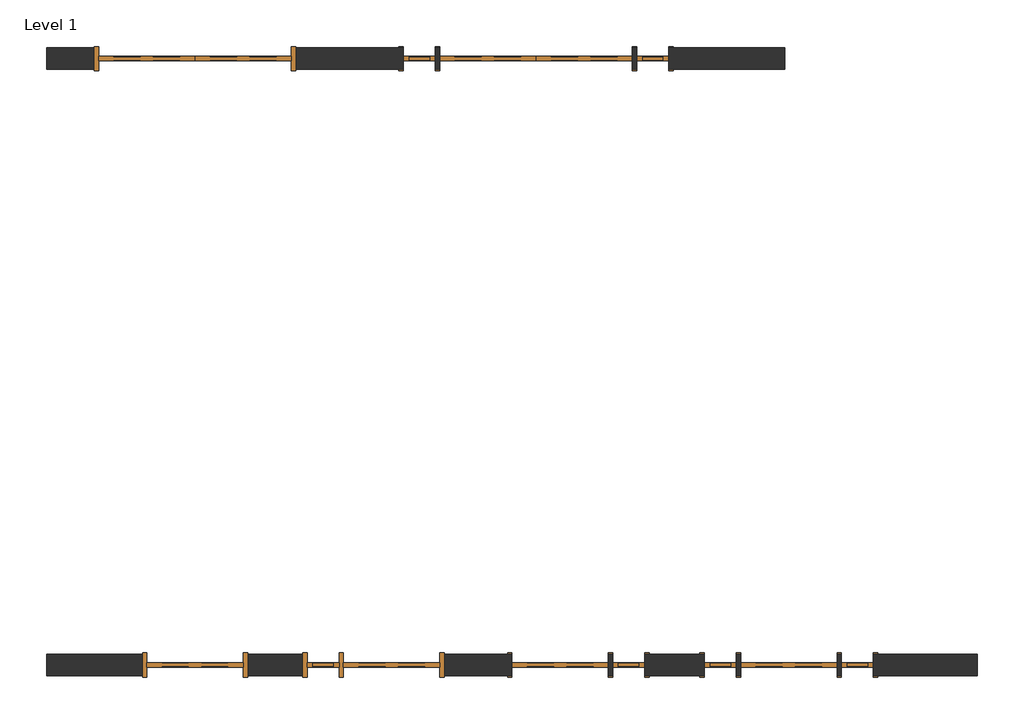
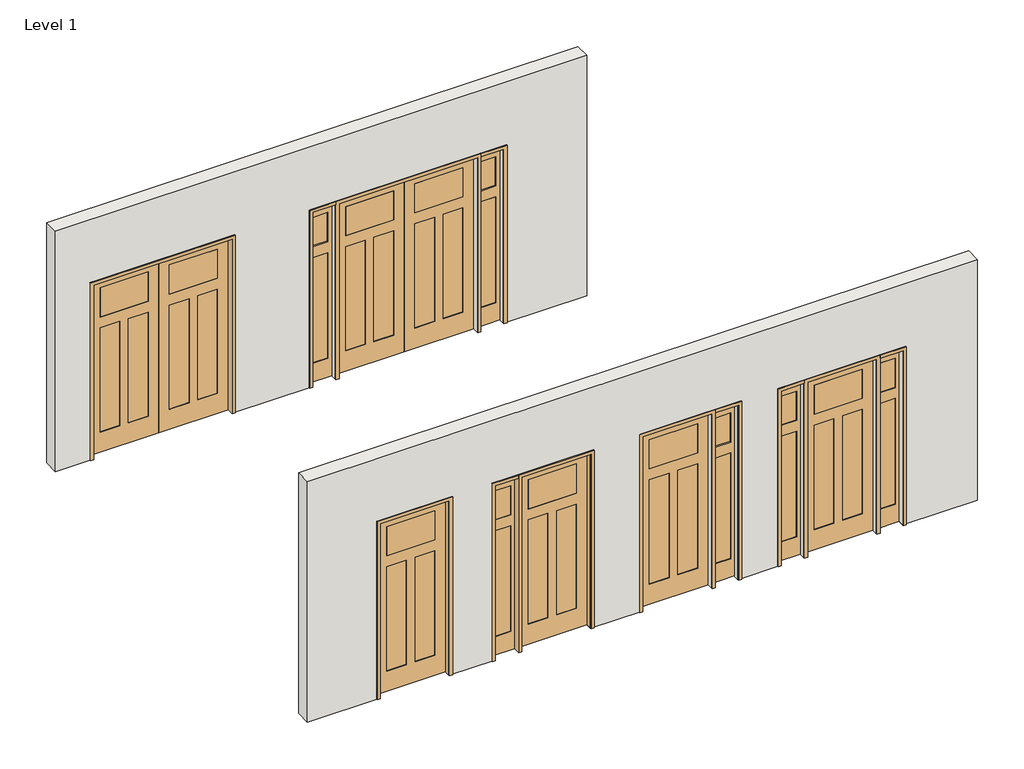
# One storey: 6 doors, 2 walls.
"""IFC4 building model written with IfcOpenShell, lengths in millimetres."""

import ifcopenshell
import ifcopenshell.guid

model = None  # the IFC model being written
_history = None  # IfcOwnerHistory: only IFC2X3 demands one
_inside = {}  # id of a spatial element -> (the spatial element, [elements in it])
_under = {}  # id of a project, library or spatial element -> (it, [spatial elements below it])
_declared = {}  # id of a project -> (the project, [libraries it declares])
_typed = {}  # id of a type object -> (the type object, [elements of that type])
_made_of = {}  # id of a material, layer set ... -> (it, [elements and type objects made of it])


def new_model(schema):
    """Start an empty IFC model of exactly this schema.

    Asked for "IFC4X3", IfcOpenShell would pick the latest addendum, in which some entities
    have other attributes; the version numbers below select the first issue.
    IFC2X3 requires an IfcOwnerHistory on every rooted entity: one is made here for all.
    """
    global model, _history
    if schema == "IFC4X3":
        model = ifcopenshell.file(schema_version=(4, 3, 0, 0))
    else:
        model = ifcopenshell.file(schema=schema)
    _inside.clear()
    _under.clear()
    _declared.clear()
    _typed.clear()
    _made_of.clear()
    _history = None
    if model.schema == "IFC2X3":
        org = make("IfcOrganization", Name="unknown")
        user = make(
            "IfcPersonAndOrganization",
            ThePerson=make("IfcPerson", FamilyName="unknown"),
            TheOrganization=org,
        )
        app = make(
            "IfcApplication",
            ApplicationDeveloper=org,
            Version="unknown",
            ApplicationFullName="unknown",
            ApplicationIdentifier="unknown",
        )
        _history = make(
            "IfcOwnerHistory",
            OwningUser=user,
            OwningApplication=app,
            ChangeAction="ADDED",
            CreationDate=0,
        )
    return model


def make(cls, **values):
    """One entity of the class cls with the attributes given. An attribute that is None is left unset."""
    return model.create_entity(
        cls, **{name: value for name, value in values.items() if value is not None}
    )


def rooted(cls, **values):
    """An entity with a GlobalId (a new one), such as an element, a storey or a relation."""
    return make(cls, GlobalId=ifcopenshell.guid.new(), OwnerHistory=_history, **values)


def si_unit(unit_type, name, prefix=None):
    """IfcSIUnit, for example si_unit("LENGTHUNIT", "METRE", prefix="MILLI")."""
    return make("IfcSIUnit", UnitType=unit_type, Prefix=prefix, Name=name)


def assignment(units):
    """IfcUnitAssignment: the units of a project."""
    return None if units is None else make("IfcUnitAssignment", Units=units)


def point(xyz):
    """IfcCartesianPoint."""
    return None if xyz is None else make("IfcCartesianPoint", Coordinates=xyz)


def direction(xyz):
    """IfcDirection."""
    return None if xyz is None else make("IfcDirection", DirectionRatios=xyz)


def frame(location, z_axis=None, x_axis=None):
    """IfcAxis2Placement3D, a coordinate frame: its origin and axes. An axis left out is left unset."""
    return make(
        "IfcAxis2Placement3D",
        Location=point(location),
        Axis=direction(z_axis),
        RefDirection=direction(x_axis),
    )


def origin():
    """The frame at (0, 0, 0) with its axes left unset."""
    return frame((0.0, 0.0, 0.0))


def place(relative_to, where):
    """IfcLocalPlacement: puts the frame where relative to a parent placement (None: the world)."""
    return make(
        "IfcLocalPlacement", PlacementRelTo=relative_to, RelativePlacement=where
    )


def context(
    kind, dimensions, precision=None, world=None, true_north=None, identifier=None
):
    """IfcGeometricRepresentationContext, for example the 3D "Model" context."""
    return make(
        "IfcGeometricRepresentationContext",
        ContextIdentifier=identifier,
        ContextType=kind,
        CoordinateSpaceDimension=dimensions,
        Precision=precision,
        WorldCoordinateSystem=world,
        TrueNorth=true_north,
    )


def project(units=None, contexts=None):
    """IfcProject with its units and contexts."""
    return rooted(
        "IfcProject",
        Name="project",
        RepresentationContexts=contexts,
        UnitsInContext=assignment(units),
    )


def spatial(cls, under=None, at=None, **own):
    """A site, building, storey or space (cls), placed at a placement, below another one or the project."""
    s = rooted(cls, ObjectPlacement=at, **own)
    if under is not None:
        _under.setdefault(under.id(), (under, []))[1].append(s)
    return s


def polyline(points):
    """IfcPolyline through the points."""
    return make("IfcPolyline", Points=[point(p) for p in points])


def outline(outer, holes=None, kind="AREA"):
    """IfcArbitraryClosedProfileDef: a profile drawn as a closed curve; with holes, ...WithVoids."""
    if holes is None:
        return make("IfcArbitraryClosedProfileDef", ProfileType=kind, OuterCurve=outer)
    return make(
        "IfcArbitraryProfileDefWithVoids",
        ProfileType=kind,
        OuterCurve=outer,
        InnerCurves=holes,
    )


def extrude(swept, where, along, depth):
    """IfcExtrudedAreaSolid: the profile swept, set in the frame where, extruded along a direction by depth."""
    return make(
        "IfcExtrudedAreaSolid",
        SweptArea=swept,
        Position=where,
        ExtrudedDirection=direction(along),
        Depth=depth,
    )


def faces_of(points, faces, orient=None, outer=None):
    """IfcFace entities. A face is a list of loops; a loop is a list of indices into points, from 0.

    orient and outer hold one flag for each loop. By default every Orientation is true, the
    first loop of a face is its IfcFaceOuterBound and the others are IfcFaceBound.
    """
    made = []
    for i, loops in enumerate(faces):
        bounds = []
        for j, loop in enumerate(loops):
            is_outer = j == 0 if outer is None else outer[i][j]
            bounds.append(
                make(
                    "IfcFaceOuterBound" if is_outer else "IfcFaceBound",
                    Bound=make("IfcPolyLoop", Polygon=[points[k] for k in loop]),
                    Orientation=True if orient is None else orient[i][j],
                )
            )
        made.append(make("IfcFace", Bounds=bounds))
    return made


def faceted_brep(points, faces, orient=None, outer=None, voids=None):
    """IfcFacetedBrep: a solid bounded by flat faces; with voids (closed shells), ...WithVoids."""
    shared = [point(p) for p in points]
    hull = make("IfcClosedShell", CfsFaces=faces_of(shared, faces, orient, outer))
    if voids is None:
        return make("IfcFacetedBrep", Outer=hull)
    return make(
        "IfcFacetedBrepWithVoids",
        Outer=hull,
        Voids=[
            make(cls, CfsFaces=faces_of(shared, fs, o, b)) for cls, fs, o, b in voids
        ],
    )


def shape(context_of_items, identifier, shape_type, items):
    """IfcShapeRepresentation: the items that make up one representation, for example the "Body"."""
    return make(
        "IfcShapeRepresentation",
        ContextOfItems=context_of_items,
        RepresentationIdentifier=identifier,
        RepresentationType=shape_type,
        Items=items,
    )


def source(mapping_origin, context_of_items, identifier, shape_type, items):
    """IfcRepresentationMap: a shape defined once, which mapped items show again and again."""
    return make(
        "IfcRepresentationMap",
        MappingOrigin=mapping_origin,
        MappedRepresentation=shape(context_of_items, identifier, shape_type, items),
    )


def transform(
    local_origin,
    x_axis=None,
    y_axis=None,
    z_axis=None,
    scale=None,
    scale2=None,
    scale3=None,
    uniform=True,
):
    """IfcCartesianTransformationOperator3D, or its non-uniform kind. x_axis, y_axis, z_axis: its Axis1, 2, 3."""
    if uniform:
        return make(
            "IfcCartesianTransformationOperator3D",
            Axis1=direction(x_axis),
            Axis2=direction(y_axis),
            LocalOrigin=point(local_origin),
            Scale=scale,
            Axis3=direction(z_axis),
        )
    return make(
        "IfcCartesianTransformationOperator3DnonUniform",
        Axis1=direction(x_axis),
        Axis2=direction(y_axis),
        LocalOrigin=point(local_origin),
        Scale=scale,
        Axis3=direction(z_axis),
        Scale2=scale2,
        Scale3=scale3,
    )


def mapped(mapping_source, mapping_target):
    """IfcMappedItem: shows the shape of a source again, moved by a transform."""
    return make(
        "IfcMappedItem", MappingSource=mapping_source, MappingTarget=mapping_target
    )


def made_of(thing, what):
    """Note that an element or type object is made of a material, layer set ...; save() writes the relation."""
    if what is not None:
        _made_of.setdefault(what.id(), (what, []))[1].append(thing)
    return thing


def element(
    cls,
    number,
    at=None,
    inside=None,
    cuts=None,
    type_object=None,
    material=None,
    context=None,
    identifier="Body",
    shape_type=None,
    held_by="IfcProductDefinitionShape",
    body=None,
    shapes=None,
    **own,
):
    """One element of the class cls, such as IfcWall. Its Tag is "e" and its number.

    at: its placement. inside: the storey or other place that contains it. cuts: it is an
    opening in that element (IfcRelVoidsElement). A single representation is given by context,
    identifier, shape_type and body (its items); several are given by shapes. held_by: the class
    of the entity that holds the representations. save() writes the other relations.
    """
    e = rooted(cls, Tag="e%d" % number, ObjectPlacement=at, **own)
    if body is not None:
        shapes = [shape(context, identifier, shape_type, body)]
    if shapes is not None:
        e.Representation = make(held_by, Representations=shapes)
    if inside is not None:
        _inside.setdefault(inside.id(), (inside, []))[1].append(e)
    if cuts is not None:
        rooted(
            "IfcRelVoidsElement", RelatingBuildingElement=cuts, RelatedOpeningElement=e
        )
    if type_object is not None:
        _typed.setdefault(type_object.id(), (type_object, []))[1].append(e)
    return made_of(e, material)


def aggregate(whole, parts):
    """IfcRelAggregates: a whole, such as a stair, and the parts it consists of."""
    return rooted("IfcRelAggregates", RelatingObject=whole, RelatedObjects=parts)


def save(model, path):
    """Write the relations noted so far, then the file.

    IfcRelAggregates (storeys below a building ...), IfcRelContainedInSpatialStructure (elements
    in a storey), IfcRelDefinesByType, IfcRelAssociatesMaterial and IfcRelDeclares: one each for
    every whole, place, type object, material and project.
    """
    for whole, parts in _under.values():
        aggregate(whole, parts)
    for where, things in _inside.values():
        rooted(
            "IfcRelContainedInSpatialStructure",
            RelatedElements=things,
            RelatingStructure=where,
        )
    for kind, things in _typed.values():
        rooted("IfcRelDefinesByType", RelatedObjects=things, RelatingType=kind)
    for what, things in _made_of.values():
        rooted("IfcRelAssociatesMaterial", RelatedObjects=things, RelatingMaterial=what)
    for by, libraries in _declared.values():
        rooted("IfcRelDeclares", RelatingContext=by, RelatedDefinitions=libraries)
    model.write(path)


def door_715b732a(model_context):
    return source(origin(), model_context, "Body", "SolidModel", [
        faceted_brep([(457.2, 20.6375, 0.0), (457.2, -20.6375, 0.0), (-457.2, -20.6375, 0.0), (-457.2, 20.6375, 0.0), (457.2, 20.6375, 2438.4), (457.2, -20.6375, 2438.4), (-457.2, -20.6375, 2438.4), (-317.5, -20.6375, 2292.35), (317.5, -20.6375, 2292.35), (317.5, -20.6375, 1885.95), (-317.5, -20.6375, 1885.95), (-317.5, -20.6375, 1733.55), (-57.15, -20.6375, 1733.55), (-57.15, -20.6375, 279.4), (-317.5, -20.6375, 279.4), (57.15, -20.6375, 1733.55), (317.5, -20.6375, 1733.55), (317.5, -20.6375, 279.4), (57.15, -20.6375, 279.4), (-457.2, 20.6375, 2438.4), (-57.15, 20.6375, 1733.55), (-317.5, 20.6375, 1733.55), (-317.5, 20.6375, 279.4), (-57.15, 20.6375, 279.4), (317.5, 20.6375, 1733.55), (57.15, 20.6375, 1733.55), (57.15, 20.6375, 279.4), (317.5, 20.6375, 279.4), (317.5, 20.6375, 2292.35), (-317.5, 20.6375, 2292.35), (-317.5, 20.6375, 1885.95), (317.5, 20.6375, 1885.95), (-317.5, 14.2875, 1733.55), (-317.5, 14.2875, 279.4), (-57.15, 14.2875, 279.4), (-57.15, 14.2875, 1733.55), (57.15, 14.2875, 1733.55), (57.15, 14.2875, 279.4), (317.5, 14.2875, 279.4), (317.5, 14.2875, 1733.55), (-57.15, -14.2875, 1733.55), (-57.15, -14.2875, 279.4), (-317.5, -14.2875, 279.4), (-317.5, -14.2875, 1733.55), (317.5, -14.2875, 1733.55), (317.5, -14.2875, 279.4), (57.15, -14.2875, 279.4), (57.15, -14.2875, 1733.55)], [[[0, 1, 2, 3]], [[4, 5, 1, 0]], [[5, 6, 2, 1], [7, 8, 9, 10], [11, 12, 13, 14], [15, 16, 17, 18]], [[6, 19, 3, 2]], [[19, 4, 0, 3], [20, 21, 22, 23], [24, 25, 26, 27], [28, 29, 30, 31]], [[4, 19, 6, 5]], [[32, 33, 22, 21]], [[33, 34, 23, 22]], [[34, 35, 20, 23]], [[36, 37, 26, 25]], [[37, 38, 27, 26]], [[38, 39, 24, 27]], [[40, 41, 13, 12]], [[41, 42, 14, 13]], [[42, 43, 11, 14]], [[44, 45, 17, 16]], [[45, 46, 18, 17]], [[46, 47, 15, 18]], [[40, 43, 42, 41]], [[44, 47, 46, 45]], [[35, 34, 33, 32]], [[39, 38, 37, 36]], [[7, 29, 28, 8]], [[29, 7, 10, 30]], [[30, 10, 9, 31]], [[8, 28, 31, 9]], [[43, 40, 12, 11]], [[47, 44, 16, 15]], [[35, 32, 21, 20]], [[39, 36, 25, 24]]]),
        extrude(outline(polyline([(317.5, -20.6375), (-317.5, -20.6375), (-317.5, 20.6375), (317.5, 20.6375), (317.5, -20.6375)])), frame((0.0, 0.0, 1885.95), z_axis=(0.0, 0.0, 1.0), x_axis=(1.0, 0.0, 0.0)), (0.0, 0.0, 1.0), 406.4),
        extrude(outline(polyline([(2479.675, -498.475), (0.0, -498.475), (0.0, -457.2), (2438.4, -457.2), (2438.4, 457.2), (0.0, 457.2), (0.0, 498.475), (2479.675, 498.475), (2479.675, -498.475)])), frame((0.0, -114.3, 0.0), z_axis=(0.0, 1.0, 0.0), x_axis=(0.0, 0.0, 1.0)), (0.0, 0.0, 1.0), 228.6),
    ])


def door_c5cde168(model_context):
    return source(origin(), model_context, "Body", "SolidModel", [
        faceted_brep([(0.0, 20.6375, 0.0), (914.4, 20.6375, 0.0), (914.4, -20.6375, 0.0), (0.0, -20.6375, 0.0), (0.0, 20.6375, 2438.4), (0.0, -20.6375, 2438.4), (914.4, -20.6375, 2438.4), (774.7, -20.6375, 2292.35), (774.7, -20.6375, 1885.95), (139.7, -20.6375, 1885.95), (139.7, -20.6375, 2292.35), (774.7, -20.6375, 1733.55), (774.7, -20.6375, 279.4), (514.35, -20.6375, 279.4), (514.35, -20.6375, 1733.55), (400.05, -20.6375, 1733.55), (400.05, -20.6375, 279.4), (139.7, -20.6375, 279.4), (139.7, -20.6375, 1733.55), (914.4, 20.6375, 2438.4), (514.35, 20.6375, 1733.55), (514.35, 20.6375, 279.4), (774.7, 20.6375, 279.4), (774.7, 20.6375, 1733.55), (139.7, 20.6375, 1733.55), (139.7, 20.6375, 279.4), (400.05, 20.6375, 279.4), (400.05, 20.6375, 1733.55), (139.7, 20.6375, 2292.35), (139.7, 20.6375, 1885.95), (774.7, 20.6375, 1885.95), (774.7, 20.6375, 2292.35), (774.7, 14.2875, 1733.55), (774.7, 14.2875, 279.4), (514.35, 14.2875, 279.4), (514.35, 14.2875, 1733.55), (400.05, 14.2875, 1733.55), (400.05, 14.2875, 279.4), (139.7, 14.2875, 279.4), (139.7, 14.2875, 1733.55), (514.35, -14.2875, 1733.55), (514.35, -14.2875, 279.4), (774.7, -14.2875, 279.4), (774.7, -14.2875, 1733.55), (139.7, -14.2875, 1733.55), (139.7, -14.2875, 279.4), (400.05, -14.2875, 279.4), (400.05, -14.2875, 1733.55)], [[[0, 1, 2, 3]], [[4, 0, 3, 5]], [[5, 3, 2, 6], [7, 8, 9, 10], [11, 12, 13, 14], [15, 16, 17, 18]], [[6, 2, 1, 19]], [[19, 1, 0, 4], [20, 21, 22, 23], [24, 25, 26, 27], [28, 29, 30, 31]], [[4, 5, 6, 19]], [[32, 23, 22, 33]], [[33, 22, 21, 34]], [[34, 21, 20, 35]], [[36, 27, 26, 37]], [[37, 26, 25, 38]], [[38, 25, 24, 39]], [[40, 14, 13, 41]], [[41, 13, 12, 42]], [[42, 12, 11, 43]], [[44, 18, 17, 45]], [[45, 17, 16, 46]], [[46, 16, 15, 47]], [[40, 41, 42, 43]], [[44, 45, 46, 47]], [[35, 32, 33, 34]], [[39, 36, 37, 38]], [[7, 10, 28, 31]], [[31, 30, 8, 7]], [[30, 29, 9, 8]], [[10, 9, 29, 28]], [[43, 11, 14, 40]], [[47, 15, 18, 44]], [[35, 20, 23, 32]], [[39, 24, 27, 36]]]),
        extrude(outline(polyline([(139.7, -20.6375), (139.7, 20.6375), (774.7, 20.6375), (774.7, -20.6375), (139.7, -20.6375)])), frame((0.0, 0.0, 1885.95), z_axis=(0.0, 0.0, 1.0), x_axis=(1.0, 0.0, 0.0)), (0.0, 0.0, 1.0), 406.4),
        faceted_brep([(0.0, 20.6375, 0.0), (0.0, -20.6375, 0.0), (-914.4, -20.6375, 0.0), (-914.4, 20.6375, 0.0), (0.0, 20.6375, 2438.4), (0.0, -20.6375, 2438.4), (-914.4, -20.6375, 2438.4), (-774.7, -20.6375, 2292.35), (-139.7, -20.6375, 2292.35), (-139.7, -20.6375, 1885.95), (-774.7, -20.6375, 1885.95), (-774.7, -20.6375, 1733.55), (-514.35, -20.6375, 1733.55), (-514.35, -20.6375, 279.4), (-774.7, -20.6375, 279.4), (-400.05, -20.6375, 1733.55), (-139.7, -20.6375, 1733.55), (-139.7, -20.6375, 279.4), (-400.05, -20.6375, 279.4), (-914.4, 20.6375, 2438.4), (-514.35, 20.6375, 1733.55), (-774.7, 20.6375, 1733.55), (-774.7, 20.6375, 279.4), (-514.35, 20.6375, 279.4), (-139.7, 20.6375, 1733.55), (-400.05, 20.6375, 1733.55), (-400.05, 20.6375, 279.4), (-139.7, 20.6375, 279.4), (-139.7, 20.6375, 2292.35), (-774.7, 20.6375, 2292.35), (-774.7, 20.6375, 1885.95), (-139.7, 20.6375, 1885.95), (-774.7, 14.2875, 1733.55), (-774.7, 14.2875, 279.4), (-514.35, 14.2875, 279.4), (-514.35, 14.2875, 1733.55), (-400.05, 14.2875, 1733.55), (-400.05, 14.2875, 279.4), (-139.7, 14.2875, 279.4), (-139.7, 14.2875, 1733.55), (-514.35, -14.2875, 1733.55), (-514.35, -14.2875, 279.4), (-774.7, -14.2875, 279.4), (-774.7, -14.2875, 1733.55), (-139.7, -14.2875, 1733.55), (-139.7, -14.2875, 279.4), (-400.05, -14.2875, 279.4), (-400.05, -14.2875, 1733.55)], [[[0, 1, 2, 3]], [[4, 5, 1, 0]], [[5, 6, 2, 1], [7, 8, 9, 10], [11, 12, 13, 14], [15, 16, 17, 18]], [[6, 19, 3, 2]], [[19, 4, 0, 3], [20, 21, 22, 23], [24, 25, 26, 27], [28, 29, 30, 31]], [[4, 19, 6, 5]], [[32, 33, 22, 21]], [[33, 34, 23, 22]], [[34, 35, 20, 23]], [[36, 37, 26, 25]], [[37, 38, 27, 26]], [[38, 39, 24, 27]], [[40, 41, 13, 12]], [[41, 42, 14, 13]], [[42, 43, 11, 14]], [[44, 45, 17, 16]], [[45, 46, 18, 17]], [[46, 47, 15, 18]], [[40, 43, 42, 41]], [[44, 47, 46, 45]], [[35, 34, 33, 32]], [[39, 38, 37, 36]], [[7, 29, 28, 8]], [[29, 7, 10, 30]], [[30, 10, 9, 31]], [[8, 28, 31, 9]], [[43, 40, 12, 11]], [[47, 44, 16, 15]], [[35, 32, 21, 20]], [[39, 36, 25, 24]]]),
        extrude(outline(polyline([(-139.7, -20.6375), (-774.7, -20.6375), (-774.7, 20.6375), (-139.7, 20.6375), (-139.7, -20.6375)])), frame((0.0, 0.0, 1885.95), z_axis=(0.0, 0.0, 1.0), x_axis=(1.0, 0.0, 0.0)), (0.0, 0.0, 1.0), 406.4),
        extrude(outline(polyline([(2479.675, -955.675), (0.0, -955.675), (0.0, -914.4), (2438.4, -914.4), (2438.4, 914.4), (0.0, 914.4), (0.0, 955.675), (2479.675, 955.675), (2479.675, -955.675)])), frame((0.0, -114.3, 0.0), z_axis=(0.0, 1.0, 0.0), x_axis=(0.0, 0.0, 1.0)), (0.0, 0.0, 1.0), 228.6),
    ])


def door_36in_w_smooth_12in_both_sidelight_drs3f80_three_panel_e60aea02(model_context):
    return source(origin(), model_context, "Body", "SolidModel", [
        extrude(outline(polyline([(0.0, 803.275), (2438.4, 803.275), (2438.4, 498.475), (0.0, 498.475), (0.0, 803.275)]), holes=[polyline([(1885.95, 549.275), (2292.35, 549.275), (2292.35, 752.475), (1885.95, 752.475), (1885.95, 549.275)]), polyline([(260.35, 549.275), (1733.55, 549.275), (1733.55, 752.475), (260.35, 752.475), (260.35, 549.275)])]), frame((0.0, -20.6375, 0.0), z_axis=(0.0, 1.0, 0.0), x_axis=(0.0, 0.0, 1.0)), (0.0, 0.0, 1.0), 41.275),
        extrude(outline(polyline([(549.275, -14.2875), (549.275, 14.4145), (752.475, 14.4145), (752.475, -14.2875), (549.275, -14.2875)])), frame((0.0, 0.0, 1885.95), z_axis=(0.0, 0.0, 1.0), x_axis=(1.0, 0.0, 0.0)), (0.0, 0.0, 1.0), 406.4),
        extrude(outline(polyline([(549.275, -14.2875), (549.275, 14.4145), (752.475, 14.4145), (752.475, -14.2875), (549.275, -14.2875)])), frame((0.0, 0.0, 260.35), z_axis=(0.0, 0.0, 1.0), x_axis=(1.0, 0.0, 0.0)), (0.0, 0.0, 1.0), 1473.2),
        extrude(outline(polyline([(0.0, -803.275), (0.0, -498.475), (2438.4, -498.475), (2438.4, -803.275), (0.0, -803.275)]), holes=[polyline([(260.35, -549.275), (260.35, -752.475), (1733.55, -752.475), (1733.55, -549.275), (260.35, -549.275)]), polyline([(1885.95, -549.275), (1885.95, -752.475), (2292.35, -752.475), (2292.35, -549.275), (1885.95, -549.275)])]), frame((0.0, -20.6375, 0.0), z_axis=(0.0, 1.0, 0.0), x_axis=(0.0, 0.0, 1.0)), (0.0, 0.0, 1.0), 41.275),
        extrude(outline(polyline([(-549.275, -14.2875), (-752.475, -14.2875), (-752.475, 14.4145), (-549.275, 14.4145), (-549.275, -14.2875)])), frame((0.0, 0.0, 1885.95), z_axis=(0.0, 0.0, 1.0), x_axis=(1.0, 0.0, 0.0)), (0.0, 0.0, 1.0), 406.4),
        extrude(outline(polyline([(-549.275, -14.2875), (-752.475, -14.2875), (-752.475, 14.4145), (-549.275, 14.4145), (-549.275, -14.2875)])), frame((0.0, 0.0, 260.35), z_axis=(0.0, 0.0, 1.0), x_axis=(1.0, 0.0, 0.0)), (0.0, 0.0, 1.0), 1473.2),
        faceted_brep([(457.2, 20.6375, 0.0), (457.2, -20.6375, 0.0), (-457.2, -20.6375, 0.0), (-457.2, 20.6375, 0.0), (457.2, 20.6375, 2438.4), (457.2, -20.6375, 2438.4), (-457.2, -20.6375, 2438.4), (-317.5, -20.6375, 2292.35), (317.5, -20.6375, 2292.35), (317.5, -20.6375, 1885.95), (-317.5, -20.6375, 1885.95), (-317.5, -20.6375, 1733.55), (-57.15, -20.6375, 1733.55), (-57.15, -20.6375, 279.4), (-317.5, -20.6375, 279.4), (57.15, -20.6375, 1733.55), (317.5, -20.6375, 1733.55), (317.5, -20.6375, 279.4), (57.15, -20.6375, 279.4), (-457.2, 20.6375, 2438.4), (-57.15, 20.6375, 1733.55), (-317.5, 20.6375, 1733.55), (-317.5, 20.6375, 279.4), (-57.15, 20.6375, 279.4), (317.5, 20.6375, 1733.55), (57.15, 20.6375, 1733.55), (57.15, 20.6375, 279.4), (317.5, 20.6375, 279.4), (317.5, 20.6375, 2292.35), (-317.5, 20.6375, 2292.35), (-317.5, 20.6375, 1885.95), (317.5, 20.6375, 1885.95), (-317.5, 14.2875, 1733.55), (-317.5, 14.2875, 279.4), (-57.15, 14.2875, 279.4), (-57.15, 14.2875, 1733.55), (57.15, 14.2875, 1733.55), (57.15, 14.2875, 279.4), (317.5, 14.2875, 279.4), (317.5, 14.2875, 1733.55), (-57.15, -14.2875, 1733.55), (-57.15, -14.2875, 279.4), (-317.5, -14.2875, 279.4), (-317.5, -14.2875, 1733.55), (317.5, -14.2875, 1733.55), (317.5, -14.2875, 279.4), (57.15, -14.2875, 279.4), (57.15, -14.2875, 1733.55)], [[[0, 1, 2, 3]], [[4, 5, 1, 0]], [[5, 6, 2, 1], [7, 8, 9, 10], [11, 12, 13, 14], [15, 16, 17, 18]], [[6, 19, 3, 2]], [[19, 4, 0, 3], [20, 21, 22, 23], [24, 25, 26, 27], [28, 29, 30, 31]], [[4, 19, 6, 5]], [[32, 33, 22, 21]], [[33, 34, 23, 22]], [[34, 35, 20, 23]], [[36, 37, 26, 25]], [[37, 38, 27, 26]], [[38, 39, 24, 27]], [[40, 41, 13, 12]], [[41, 42, 14, 13]], [[42, 43, 11, 14]], [[44, 45, 17, 16]], [[45, 46, 18, 17]], [[46, 47, 15, 18]], [[40, 43, 42, 41]], [[44, 47, 46, 45]], [[35, 34, 33, 32]], [[39, 38, 37, 36]], [[7, 29, 28, 8]], [[29, 7, 10, 30]], [[30, 10, 9, 31]], [[8, 28, 31, 9]], [[43, 40, 12, 11]], [[47, 44, 16, 15]], [[35, 32, 21, 20]], [[39, 36, 25, 24]]]),
        extrude(outline(polyline([(317.5, -20.6375), (-317.5, -20.6375), (-317.5, 20.6375), (317.5, 20.6375), (317.5, -20.6375)])), frame((0.0, 0.0, 1885.95), z_axis=(0.0, 0.0, 1.0), x_axis=(1.0, 0.0, 0.0)), (0.0, 0.0, 1.0), 406.4),
        extrude(outline(polyline([(2438.4, -498.475), (2479.675, -498.475), (2479.675, -844.55), (0.0, -844.55), (0.0, -803.275), (2438.4, -803.275), (2438.4, -498.475)])), frame((0.0, -114.3, 0.0), z_axis=(0.0, 1.0, 0.0), x_axis=(0.0, 0.0, 1.0)), (0.0, 0.0, 1.0), 228.6),
        extrude(outline(polyline([(2479.675, -498.475), (0.0, -498.475), (0.0, -457.2), (2438.4, -457.2), (2438.4, 457.2), (0.0, 457.2), (0.0, 498.475), (2479.675, 498.475), (2479.675, -498.475)])), frame((0.0, -114.3, 0.0), z_axis=(0.0, 1.0, 0.0), x_axis=(0.0, 0.0, 1.0)), (0.0, 0.0, 1.0), 228.6),
        extrude(outline(polyline([(0.0, 803.275), (0.0, 844.55), (2479.675, 844.55), (2479.675, 498.475), (2438.4, 498.475), (2438.4, 803.275), (0.0, 803.275)])), frame((0.0, -114.3, 0.0), z_axis=(0.0, 1.0, 0.0), x_axis=(0.0, 0.0, 1.0)), (0.0, 0.0, 1.0), 228.6),
    ])


def door_36in_w_smooth_12in_left_sidelight_drs3f80_three_panel_5eb2ee02(model_context):
    return source(origin(), model_context, "Body", "SolidModel", [
        extrude(outline(polyline([(0.0, -803.275), (0.0, -498.475), (2438.4, -498.475), (2438.4, -803.275), (0.0, -803.275)]), holes=[polyline([(260.35, -549.275), (260.35, -752.475), (1733.55, -752.475), (1733.55, -549.275), (260.35, -549.275)]), polyline([(1885.95, -549.275), (1885.95, -752.475), (2292.35, -752.475), (2292.35, -549.275), (1885.95, -549.275)])]), frame((0.0, -20.6375, 0.0), z_axis=(0.0, 1.0, 0.0), x_axis=(0.0, 0.0, 1.0)), (0.0, 0.0, 1.0), 41.275),
        extrude(outline(polyline([(-549.275, -14.2875), (-752.475, -14.2875), (-752.475, 14.4145), (-549.275, 14.4145), (-549.275, -14.2875)])), frame((0.0, 0.0, 1885.95), z_axis=(0.0, 0.0, 1.0), x_axis=(1.0, 0.0, 0.0)), (0.0, 0.0, 1.0), 406.4),
        extrude(outline(polyline([(-549.275, -14.2875), (-752.475, -14.2875), (-752.475, 14.4145), (-549.275, 14.4145), (-549.275, -14.2875)])), frame((0.0, 0.0, 260.35), z_axis=(0.0, 0.0, 1.0), x_axis=(1.0, 0.0, 0.0)), (0.0, 0.0, 1.0), 1473.2),
        faceted_brep([(457.2, 20.6375, 0.0), (457.2, -20.6375, 0.0), (-457.2, -20.6375, 0.0), (-457.2, 20.6375, 0.0), (457.2, 20.6375, 2438.4), (457.2, -20.6375, 2438.4), (-457.2, -20.6375, 2438.4), (-317.5, -20.6375, 2292.35), (317.5, -20.6375, 2292.35), (317.5, -20.6375, 1885.95), (-317.5, -20.6375, 1885.95), (-317.5, -20.6375, 1733.55), (-57.15, -20.6375, 1733.55), (-57.15, -20.6375, 279.4), (-317.5, -20.6375, 279.4), (57.15, -20.6375, 1733.55), (317.5, -20.6375, 1733.55), (317.5, -20.6375, 279.4), (57.15, -20.6375, 279.4), (-457.2, 20.6375, 2438.4), (-57.15, 20.6375, 1733.55), (-317.5, 20.6375, 1733.55), (-317.5, 20.6375, 279.4), (-57.15, 20.6375, 279.4), (317.5, 20.6375, 1733.55), (57.15, 20.6375, 1733.55), (57.15, 20.6375, 279.4), (317.5, 20.6375, 279.4), (317.5, 20.6375, 2292.35), (-317.5, 20.6375, 2292.35), (-317.5, 20.6375, 1885.95), (317.5, 20.6375, 1885.95), (-317.5, 14.2875, 1733.55), (-317.5, 14.2875, 279.4), (-57.15, 14.2875, 279.4), (-57.15, 14.2875, 1733.55), (57.15, 14.2875, 1733.55), (57.15, 14.2875, 279.4), (317.5, 14.2875, 279.4), (317.5, 14.2875, 1733.55), (-57.15, -14.2875, 1733.55), (-57.15, -14.2875, 279.4), (-317.5, -14.2875, 279.4), (-317.5, -14.2875, 1733.55), (317.5, -14.2875, 1733.55), (317.5, -14.2875, 279.4), (57.15, -14.2875, 279.4), (57.15, -14.2875, 1733.55)], [[[0, 1, 2, 3]], [[4, 5, 1, 0]], [[5, 6, 2, 1], [7, 8, 9, 10], [11, 12, 13, 14], [15, 16, 17, 18]], [[6, 19, 3, 2]], [[19, 4, 0, 3], [20, 21, 22, 23], [24, 25, 26, 27], [28, 29, 30, 31]], [[4, 19, 6, 5]], [[32, 33, 22, 21]], [[33, 34, 23, 22]], [[34, 35, 20, 23]], [[36, 37, 26, 25]], [[37, 38, 27, 26]], [[38, 39, 24, 27]], [[40, 41, 13, 12]], [[41, 42, 14, 13]], [[42, 43, 11, 14]], [[44, 45, 17, 16]], [[45, 46, 18, 17]], [[46, 47, 15, 18]], [[40, 43, 42, 41]], [[44, 47, 46, 45]], [[35, 34, 33, 32]], [[39, 38, 37, 36]], [[7, 29, 28, 8]], [[29, 7, 10, 30]], [[30, 10, 9, 31]], [[8, 28, 31, 9]], [[43, 40, 12, 11]], [[47, 44, 16, 15]], [[35, 32, 21, 20]], [[39, 36, 25, 24]]]),
        extrude(outline(polyline([(317.5, -20.6375), (-317.5, -20.6375), (-317.5, 20.6375), (317.5, 20.6375), (317.5, -20.6375)])), frame((0.0, 0.0, 1885.95), z_axis=(0.0, 0.0, 1.0), x_axis=(1.0, 0.0, 0.0)), (0.0, 0.0, 1.0), 406.4),
        extrude(outline(polyline([(2438.4, -498.475), (2479.675, -498.475), (2479.675, -844.55), (0.0, -844.55), (0.0, -803.275), (2438.4, -803.275), (2438.4, -498.475)])), frame((0.0, -114.3, 0.0), z_axis=(0.0, 1.0, 0.0), x_axis=(0.0, 0.0, 1.0)), (0.0, 0.0, 1.0), 228.6),
        extrude(outline(polyline([(2479.675, -498.475), (0.0, -498.475), (0.0, -457.2), (2438.4, -457.2), (2438.4, 457.2), (0.0, 457.2), (0.0, 498.475), (2479.675, 498.475), (2479.675, -498.475)])), frame((0.0, -114.3, 0.0), z_axis=(0.0, 1.0, 0.0), x_axis=(0.0, 0.0, 1.0)), (0.0, 0.0, 1.0), 228.6),
    ])


def door_36in_w_smooth_12in_right_sidelight_drs3f80_three_panel_178163c4(model_context):
    return source(origin(), model_context, "Body", "SolidModel", [
        extrude(outline(polyline([(0.0, 803.275), (2438.4, 803.275), (2438.4, 498.475), (0.0, 498.475), (0.0, 803.275)]), holes=[polyline([(1885.95, 549.275), (2292.35, 549.275), (2292.35, 752.475), (1885.95, 752.475), (1885.95, 549.275)]), polyline([(260.35, 549.275), (1733.55, 549.275), (1733.55, 752.475), (260.35, 752.475), (260.35, 549.275)])]), frame((0.0, -20.6375, 0.0), z_axis=(0.0, 1.0, 0.0), x_axis=(0.0, 0.0, 1.0)), (0.0, 0.0, 1.0), 41.275),
        extrude(outline(polyline([(549.275, -4.1275), (549.275, 4.2545), (752.475, 4.2545), (752.475, -4.1275), (549.275, -4.1275)])), frame((0.0, 0.0, 1885.95), z_axis=(0.0, 0.0, 1.0), x_axis=(1.0, 0.0, 0.0)), (0.0, 0.0, 1.0), 406.4),
        extrude(outline(polyline([(549.275, -14.2875), (549.275, 14.4145), (752.475, 14.4145), (752.475, -14.2875), (549.275, -14.2875)])), frame((0.0, 0.0, 260.35), z_axis=(0.0, 0.0, 1.0), x_axis=(1.0, 0.0, 0.0)), (0.0, 0.0, 1.0), 1473.2),
        faceted_brep([(457.2, 20.6375, 0.0), (457.2, -20.6375, 0.0), (-457.2, -20.6375, 0.0), (-457.2, 20.6375, 0.0), (457.2, 20.6375, 2438.4), (457.2, -20.6375, 2438.4), (-457.2, -20.6375, 2438.4), (-317.5, -20.6375, 2292.35), (317.5, -20.6375, 2292.35), (317.5, -20.6375, 1885.95), (-317.5, -20.6375, 1885.95), (-317.5, -20.6375, 1733.55), (-57.15, -20.6375, 1733.55), (-57.15, -20.6375, 279.4), (-317.5, -20.6375, 279.4), (57.15, -20.6375, 1733.55), (317.5, -20.6375, 1733.55), (317.5, -20.6375, 279.4), (57.15, -20.6375, 279.4), (-457.2, 20.6375, 2438.4), (-57.15, 20.6375, 1733.55), (-317.5, 20.6375, 1733.55), (-317.5, 20.6375, 279.4), (-57.15, 20.6375, 279.4), (317.5, 20.6375, 1733.55), (57.15, 20.6375, 1733.55), (57.15, 20.6375, 279.4), (317.5, 20.6375, 279.4), (317.5, 20.6375, 2292.35), (-317.5, 20.6375, 2292.35), (-317.5, 20.6375, 1885.95), (317.5, 20.6375, 1885.95), (-317.5, 14.2875, 1733.55), (-317.5, 14.2875, 279.4), (-57.15, 14.2875, 279.4), (-57.15, 14.2875, 1733.55), (57.15, 14.2875, 1733.55), (57.15, 14.2875, 279.4), (317.5, 14.2875, 279.4), (317.5, 14.2875, 1733.55), (-57.15, -14.2875, 1733.55), (-57.15, -14.2875, 279.4), (-317.5, -14.2875, 279.4), (-317.5, -14.2875, 1733.55), (317.5, -14.2875, 1733.55), (317.5, -14.2875, 279.4), (57.15, -14.2875, 279.4), (57.15, -14.2875, 1733.55)], [[[0, 1, 2, 3]], [[4, 5, 1, 0]], [[5, 6, 2, 1], [7, 8, 9, 10], [11, 12, 13, 14], [15, 16, 17, 18]], [[6, 19, 3, 2]], [[19, 4, 0, 3], [20, 21, 22, 23], [24, 25, 26, 27], [28, 29, 30, 31]], [[4, 19, 6, 5]], [[32, 33, 22, 21]], [[33, 34, 23, 22]], [[34, 35, 20, 23]], [[36, 37, 26, 25]], [[37, 38, 27, 26]], [[38, 39, 24, 27]], [[40, 41, 13, 12]], [[41, 42, 14, 13]], [[42, 43, 11, 14]], [[44, 45, 17, 16]], [[45, 46, 18, 17]], [[46, 47, 15, 18]], [[40, 43, 42, 41]], [[44, 47, 46, 45]], [[35, 34, 33, 32]], [[39, 38, 37, 36]], [[7, 29, 28, 8]], [[29, 7, 10, 30]], [[30, 10, 9, 31]], [[8, 28, 31, 9]], [[43, 40, 12, 11]], [[47, 44, 16, 15]], [[35, 32, 21, 20]], [[39, 36, 25, 24]]]),
        extrude(outline(polyline([(317.5, -20.6375), (-317.5, -20.6375), (-317.5, 20.6375), (317.5, 20.6375), (317.5, -20.6375)])), frame((0.0, 0.0, 1885.95), z_axis=(0.0, 0.0, 1.0), x_axis=(1.0, 0.0, 0.0)), (0.0, 0.0, 1.0), 406.4),
        extrude(outline(polyline([(2479.675, -498.475), (0.0, -498.475), (0.0, -457.2), (2438.4, -457.2), (2438.4, 457.2), (0.0, 457.2), (0.0, 498.475), (2479.675, 498.475), (2479.675, -498.475)])), frame((0.0, -114.3, 0.0), z_axis=(0.0, 1.0, 0.0), x_axis=(0.0, 0.0, 1.0)), (0.0, 0.0, 1.0), 228.6),
        extrude(outline(polyline([(0.0, 803.275), (0.0, 844.55), (2479.675, 844.55), (2479.675, 498.475), (2438.4, 498.475), (2438.4, 803.275), (0.0, 803.275)])), frame((0.0, -114.3, 0.0), z_axis=(0.0, 1.0, 0.0), x_axis=(0.0, 0.0, 1.0)), (0.0, 0.0, 1.0), 228.6),
    ])


def door_72in_w_smooth_12in_both_sidelight_drs3f80_three_panel_5be1f58d(model_context):
    return source(origin(), model_context, "Body", "SolidModel", [
        faceted_brep([(0.0, 20.6375, 0.0), (914.4, 20.6375, 0.0), (914.4, -20.6375, 0.0), (0.0, -20.6375, 0.0), (0.0, 20.6375, 2438.4), (0.0, -20.6375, 2438.4), (914.4, -20.6375, 2438.4), (774.7, -20.6375, 2292.35), (774.7, -20.6375, 1885.95), (139.7, -20.6375, 1885.95), (139.7, -20.6375, 2292.35), (774.7, -20.6375, 1733.55), (774.7, -20.6375, 279.4), (514.35, -20.6375, 279.4), (514.35, -20.6375, 1733.55), (400.05, -20.6375, 1733.55), (400.05, -20.6375, 279.4), (139.7, -20.6375, 279.4), (139.7, -20.6375, 1733.55), (914.4, 20.6375, 2438.4), (514.35, 20.6375, 1733.55), (514.35, 20.6375, 279.4), (774.7, 20.6375, 279.4), (774.7, 20.6375, 1733.55), (139.7, 20.6375, 1733.55), (139.7, 20.6375, 279.4), (400.05, 20.6375, 279.4), (400.05, 20.6375, 1733.55), (139.7, 20.6375, 2292.35), (139.7, 20.6375, 1885.95), (774.7, 20.6375, 1885.95), (774.7, 20.6375, 2292.35), (774.7, 14.2875, 1733.55), (774.7, 14.2875, 279.4), (514.35, 14.2875, 279.4), (514.35, 14.2875, 1733.55), (400.05, 14.2875, 1733.55), (400.05, 14.2875, 279.4), (139.7, 14.2875, 279.4), (139.7, 14.2875, 1733.55), (514.35, -14.2875, 1733.55), (514.35, -14.2875, 279.4), (774.7, -14.2875, 279.4), (774.7, -14.2875, 1733.55), (139.7, -14.2875, 1733.55), (139.7, -14.2875, 279.4), (400.05, -14.2875, 279.4), (400.05, -14.2875, 1733.55)], [[[0, 1, 2, 3]], [[4, 0, 3, 5]], [[5, 3, 2, 6], [7, 8, 9, 10], [11, 12, 13, 14], [15, 16, 17, 18]], [[6, 2, 1, 19]], [[19, 1, 0, 4], [20, 21, 22, 23], [24, 25, 26, 27], [28, 29, 30, 31]], [[4, 5, 6, 19]], [[32, 23, 22, 33]], [[33, 22, 21, 34]], [[34, 21, 20, 35]], [[36, 27, 26, 37]], [[37, 26, 25, 38]], [[38, 25, 24, 39]], [[40, 14, 13, 41]], [[41, 13, 12, 42]], [[42, 12, 11, 43]], [[44, 18, 17, 45]], [[45, 17, 16, 46]], [[46, 16, 15, 47]], [[40, 41, 42, 43]], [[44, 45, 46, 47]], [[35, 32, 33, 34]], [[39, 36, 37, 38]], [[7, 10, 28, 31]], [[31, 30, 8, 7]], [[30, 29, 9, 8]], [[10, 9, 29, 28]], [[43, 11, 14, 40]], [[47, 15, 18, 44]], [[35, 20, 23, 32]], [[39, 24, 27, 36]]]),
        extrude(outline(polyline([(139.7, -20.6375), (139.7, 20.6375), (774.7, 20.6375), (774.7, -20.6375), (139.7, -20.6375)])), frame((0.0, 0.0, 1885.95), z_axis=(0.0, 0.0, 1.0), x_axis=(1.0, 0.0, 0.0)), (0.0, 0.0, 1.0), 406.4),
        extrude(outline(polyline([(0.0, 1260.475), (2438.4, 1260.475), (2438.4, 955.675), (0.0, 955.675), (0.0, 1260.475)]), holes=[polyline([(1885.95, 1006.475), (2292.35, 1006.475), (2292.35, 1209.675), (1885.95, 1209.675), (1885.95, 1006.475)]), polyline([(260.35, 1006.475), (1733.55, 1006.475), (1733.55, 1209.675), (260.35, 1209.675), (260.35, 1006.475)])]), frame((0.0, -20.6375, 0.0), z_axis=(0.0, 1.0, 0.0), x_axis=(0.0, 0.0, 1.0)), (0.0, 0.0, 1.0), 41.275),
        extrude(outline(polyline([(1006.475, -4.1275), (1006.475, 4.2545), (1209.675, 4.2545), (1209.675, -4.1275), (1006.475, -4.1275)])), frame((0.0, 0.0, 1885.95), z_axis=(0.0, 0.0, 1.0), x_axis=(1.0, 0.0, 0.0)), (0.0, 0.0, 1.0), 406.4),
        extrude(outline(polyline([(1006.475, -14.2875), (1006.475, 14.4145), (1209.675, 14.4145), (1209.675, -14.2875), (1006.475, -14.2875)])), frame((0.0, 0.0, 260.35), z_axis=(0.0, 0.0, 1.0), x_axis=(1.0, 0.0, 0.0)), (0.0, 0.0, 1.0), 1473.2),
        extrude(outline(polyline([(0.0, -1260.475), (0.0, -955.675), (2438.4, -955.675), (2438.4, -1260.475), (0.0, -1260.475)]), holes=[polyline([(1885.95, -1006.475), (1885.95, -1209.675), (2292.35, -1209.675), (2292.35, -1006.475), (1885.95, -1006.475)]), polyline([(260.35, -1006.475), (260.35, -1209.675), (1733.55, -1209.675), (1733.55, -1006.475), (260.35, -1006.475)])]), frame((0.0, -20.6375, 0.0), z_axis=(0.0, 1.0, 0.0), x_axis=(0.0, 0.0, 1.0)), (0.0, 0.0, 1.0), 41.275),
        extrude(outline(polyline([(-1006.475, -4.1275), (-1209.675, -4.1275), (-1209.675, 4.2545), (-1006.475, 4.2545), (-1006.475, -4.1275)])), frame((0.0, 0.0, 1885.95), z_axis=(0.0, 0.0, 1.0), x_axis=(1.0, 0.0, 0.0)), (0.0, 0.0, 1.0), 406.4),
        extrude(outline(polyline([(-1006.475, -14.2875), (-1209.675, -14.2875), (-1209.675, 14.4145), (-1006.475, 14.4145), (-1006.475, -14.2875)])), frame((0.0, 0.0, 260.35), z_axis=(0.0, 0.0, 1.0), x_axis=(1.0, 0.0, 0.0)), (0.0, 0.0, 1.0), 1473.2),
        faceted_brep([(0.0, 20.6375, 0.0), (0.0, -20.6375, 0.0), (-914.4, -20.6375, 0.0), (-914.4, 20.6375, 0.0), (0.0, 20.6375, 2438.4), (0.0, -20.6375, 2438.4), (-914.4, -20.6375, 2438.4), (-774.7, -20.6375, 2292.35), (-139.7, -20.6375, 2292.35), (-139.7, -20.6375, 1885.95), (-774.7, -20.6375, 1885.95), (-774.7, -20.6375, 1733.55), (-514.35, -20.6375, 1733.55), (-514.35, -20.6375, 279.4), (-774.7, -20.6375, 279.4), (-400.05, -20.6375, 1733.55), (-139.7, -20.6375, 1733.55), (-139.7, -20.6375, 279.4), (-400.05, -20.6375, 279.4), (-914.4, 20.6375, 2438.4), (-514.35, 20.6375, 1733.55), (-774.7, 20.6375, 1733.55), (-774.7, 20.6375, 279.4), (-514.35, 20.6375, 279.4), (-139.7, 20.6375, 1733.55), (-400.05, 20.6375, 1733.55), (-400.05, 20.6375, 279.4), (-139.7, 20.6375, 279.4), (-139.7, 20.6375, 2292.35), (-774.7, 20.6375, 2292.35), (-774.7, 20.6375, 1885.95), (-139.7, 20.6375, 1885.95), (-774.7, 14.2875, 1733.55), (-774.7, 14.2875, 279.4), (-514.35, 14.2875, 279.4), (-514.35, 14.2875, 1733.55), (-400.05, 14.2875, 1733.55), (-400.05, 14.2875, 279.4), (-139.7, 14.2875, 279.4), (-139.7, 14.2875, 1733.55), (-514.35, -14.2875, 1733.55), (-514.35, -14.2875, 279.4), (-774.7, -14.2875, 279.4), (-774.7, -14.2875, 1733.55), (-139.7, -14.2875, 1733.55), (-139.7, -14.2875, 279.4), (-400.05, -14.2875, 279.4), (-400.05, -14.2875, 1733.55)], [[[0, 1, 2, 3]], [[4, 5, 1, 0]], [[5, 6, 2, 1], [7, 8, 9, 10], [11, 12, 13, 14], [15, 16, 17, 18]], [[6, 19, 3, 2]], [[19, 4, 0, 3], [20, 21, 22, 23], [24, 25, 26, 27], [28, 29, 30, 31]], [[4, 19, 6, 5]], [[32, 33, 22, 21]], [[33, 34, 23, 22]], [[34, 35, 20, 23]], [[36, 37, 26, 25]], [[37, 38, 27, 26]], [[38, 39, 24, 27]], [[40, 41, 13, 12]], [[41, 42, 14, 13]], [[42, 43, 11, 14]], [[44, 45, 17, 16]], [[45, 46, 18, 17]], [[46, 47, 15, 18]], [[40, 43, 42, 41]], [[44, 47, 46, 45]], [[35, 34, 33, 32]], [[39, 38, 37, 36]], [[7, 29, 28, 8]], [[29, 7, 10, 30]], [[30, 10, 9, 31]], [[8, 28, 31, 9]], [[43, 40, 12, 11]], [[47, 44, 16, 15]], [[35, 32, 21, 20]], [[39, 36, 25, 24]]]),
        extrude(outline(polyline([(-139.7, -20.6375), (-774.7, -20.6375), (-774.7, 20.6375), (-139.7, 20.6375), (-139.7, -20.6375)])), frame((0.0, 0.0, 1885.95), z_axis=(0.0, 0.0, 1.0), x_axis=(1.0, 0.0, 0.0)), (0.0, 0.0, 1.0), 406.4),
        extrude(outline(polyline([(2438.4, -955.675), (2479.675, -955.675), (2479.675, -1301.75), (0.0, -1301.75), (0.0, -1260.475), (2438.4, -1260.475), (2438.4, -955.675)])), frame((0.0, -114.3, 0.0), z_axis=(0.0, 1.0, 0.0), x_axis=(0.0, 0.0, 1.0)), (0.0, 0.0, 1.0), 228.6),
        extrude(outline(polyline([(2479.675, -955.675), (0.0, -955.675), (0.0, -914.4), (2438.4, -914.4), (2438.4, 914.4), (0.0, 914.4), (0.0, 955.675), (2479.675, 955.675), (2479.675, -955.675)])), frame((0.0, -114.3, 0.0), z_axis=(0.0, 1.0, 0.0), x_axis=(0.0, 0.0, 1.0)), (0.0, 0.0, 1.0), 228.6),
        extrude(outline(polyline([(0.0, 1260.475), (0.0, 1301.75), (2479.675, 1301.75), (2479.675, 955.675), (2438.4, 955.675), (2438.4, 1260.475), (0.0, 1260.475)])), frame((0.0, -114.3, 0.0), z_axis=(0.0, 1.0, 0.0), x_axis=(0.0, 0.0, 1.0)), (0.0, 0.0, 1.0), 228.6),
    ])


model = new_model("IFC4")

# Units and contexts
model_context = context("Model", 3, world=origin())
ifc_project = project(units=[si_unit("LENGTHUNIT", "METRE", prefix="MILLI")], contexts=[model_context])

# Site, building, storey
site = spatial("IfcSite", under=ifc_project)
building = spatial("IfcBuilding", under=site)
storey = spatial("IfcBuildingStorey", under=building, Name="Level 1", Elevation=0.0)

# Doors
placement = place(None, origin())
door_shape = door_715b732a(model_context)
element("IfcDoor", 1, at=placement, inside=storey, context=model_context, shape_type="MappedRepresentation", body=[
    mapped(door_shape, transform((-21418.7793158, -16985.8492042, 0.0), x_axis=(1.0, 0.0, 0.0), y_axis=(0.0, 1.0, 0.0), z_axis=(0.0, 0.0, 1.0))),
])
door_2_shape = door_c5cde168(model_context)
element("IfcDoor", 2, at=placement, inside=storey, context=model_context, shape_type="MappedRepresentation", body=[
    mapped(door_2_shape, transform((-21418.7793158, -11228.1314072, 0.0), x_axis=(1.0, 0.0, 0.0), y_axis=(0.0, 1.0, 0.0), z_axis=(0.0, 0.0, 1.0))),
])
door_36in_w_smooth_12in_both_sidelight_drs3f80_three_panel_shape = door_36in_w_smooth_12in_both_sidelight_drs3f80_three_panel_e60aea02(model_context)
element("IfcDoor", 3, ObjectType="36In W Smooth 12In Both Sidelight DRS3F80 Three Panel-96In", at=placement, inside=storey, context=model_context, shape_type="MappedRepresentation", body=[
    mapped(door_36in_w_smooth_12in_both_sidelight_drs3f80_three_panel_shape, transform((-15779.9793158, -16985.8492042, 0.0), x_axis=(1.0, 0.0, 0.0), y_axis=(0.0, 1.0, 0.0), z_axis=(0.0, 0.0, 1.0))),
])
door_36in_w_smooth_12in_left_sidelight_drs3f80_three_panel_shape = door_36in_w_smooth_12in_left_sidelight_drs3f80_three_panel_5eb2ee02(model_context)
element("IfcDoor", 4, ObjectType="36In W Smooth 12In Left Sidelight DRS3F80 Three Panel-96In", at=placement, inside=storey, context=model_context, shape_type="MappedRepresentation", body=[
    mapped(door_36in_w_smooth_12in_left_sidelight_drs3f80_three_panel_shape, transform((-19551.8793158, -16985.8492042, 0.0), x_axis=(1.0, 0.0, 0.0), y_axis=(0.0, 1.0, 0.0), z_axis=(0.0, 0.0, 1.0))),
])
door_36in_w_smooth_12in_right_sidelight_drs3f80_three_panel_shape = door_36in_w_smooth_12in_right_sidelight_drs3f80_three_panel_178163c4(model_context)
element("IfcDoor", 5, ObjectType="36In W Smooth 12In Right Sidelight DRS3F80 Three Panel-96In", at=placement, inside=storey, context=model_context, shape_type="MappedRepresentation", body=[
    mapped(door_36in_w_smooth_12in_right_sidelight_drs3f80_three_panel_shape, transform((-17951.6793158, -16985.8492042, 0.0), x_axis=(1.0, 0.0, 0.0), y_axis=(0.0, 1.0, 0.0), z_axis=(0.0, 0.0, 1.0))),
])
door_72in_w_smooth_12in_both_sidelight_drs3f80_three_panel_shape = door_72in_w_smooth_12in_both_sidelight_drs3f80_three_panel_5be1f58d(model_context)
element("IfcDoor", 6, ObjectType="72In W Smooth 12In Both Sidelight DRS3F80 Three Panel-96In", at=placement, inside=storey, context=model_context, shape_type="MappedRepresentation", body=[
    mapped(door_72in_w_smooth_12in_both_sidelight_drs3f80_three_panel_shape, transform((-18180.2793158, -11228.1314072, 0.0), x_axis=(1.0, 0.0, 0.0), y_axis=(0.0, 1.0, 0.0), z_axis=(0.0, 0.0, 1.0))),
])

# Walls
element("IfcWall", 7, ObjectType="Generic - 8\"", at=placement, inside=storey, context=model_context, shape_type="SweptSolid", body=[
    extrude(outline(polyline([(0.0, -13989.2793158), (3352.8, -13989.2793158), (3352.8, -22828.4793158), (0.0, -22828.4793158), (0.0, -21875.9793158), (2438.4, -21875.9793158), (2438.4, -20961.5793158), (0.0, -20961.5793158), (0.0, -20355.1543158), (2438.4, -20355.1543158), (2438.4, -20050.3543158), (0.0, -20050.3543158), (0.0, -20009.0793158), (2438.4, -20009.0793158), (2438.4, -19094.6793158), (0.0, -19094.6793158), (0.0, -18408.8793158), (2438.4, -18408.8793158), (2438.4, -17494.4793158), (0.0, -17494.4793158), (0.0, -17453.2043158), (2438.4, -17453.2043158), (2438.4, -17148.4043158), (0.0, -17148.4043158), (0.0, -16583.2543158), (2438.4, -16583.2543158), (2438.4, -16278.4543158), (0.0, -16278.4543158), (0.0, -16237.1793158), (2438.4, -16237.1793158), (2438.4, -15322.7793158), (0.0, -15322.7793158), (0.0, -15281.5043158), (2438.4, -15281.5043158), (2438.4, -14976.7043158), (0.0, -14976.7043158), (0.0, -13989.2793158)])), frame((0.0, -17087.4492042, 0.0), z_axis=(0.0, 1.0, 0.0), x_axis=(0.0, 0.0, 1.0)), (0.0, 0.0, 1.0), 203.2),
])
element("IfcWall", 8, ObjectType="Generic - 8\"", at=placement, inside=storey, context=model_context, shape_type="SweptSolid", body=[
    extrude(outline(polyline([(0.0, -15818.0793158), (3352.8, -15818.0793158), (3352.8, -22828.4793158), (0.0, -22828.4793158), (0.0, -22333.1793158), (2438.4, -22333.1793158), (2438.4, -20504.3793158), (0.0, -20504.3793158), (0.0, -19440.7543158), (2438.4, -19440.7543158), (2438.4, -19135.9543158), (0.0, -19135.9543158), (0.0, -19094.6793158), (2438.4, -19094.6793158), (2438.4, -17265.8793158), (0.0, -17265.8793158), (0.0, -17224.6043158), (2438.4, -17224.6043158), (2438.4, -16919.8043158), (0.0, -16919.8043158), (0.0, -15818.0793158)])), frame((0.0, -11329.7314072, 0.0), z_axis=(0.0, 1.0, 0.0), x_axis=(0.0, 0.0, 1.0)), (0.0, 0.0, 1.0), 203.2),
])

save(model, "model.ifc")
